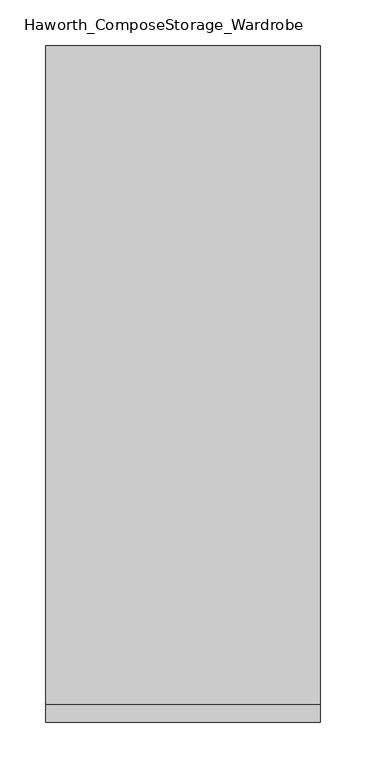
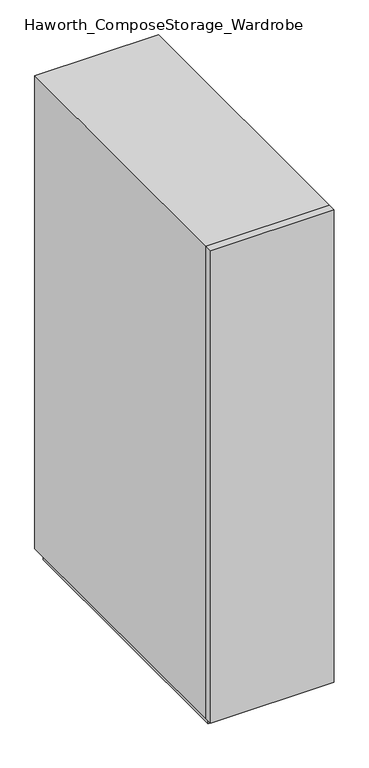
"""IFC4 building model written with IfcOpenShell, lengths in millimetres: furniture geometry, Haworth_ComposeStorage_Wardrobe."""

import ifcopenshell
import ifcopenshell.guid

model = None  # the IFC model being written
_history = None  # IfcOwnerHistory: only IFC2X3 demands one
_inside = {}  # id of a spatial element -> (the spatial element, [elements in it])
_under = {}  # id of a project, library or spatial element -> (it, [spatial elements below it])
_declared = {}  # id of a project -> (the project, [libraries it declares])
_typed = {}  # id of a type object -> (the type object, [elements of that type])
_made_of = {}  # id of a material, layer set ... -> (it, [elements and type objects made of it])


def new_model(schema):
    """Start an empty IFC model of exactly this schema.

    Asked for "IFC4X3", IfcOpenShell would pick the latest addendum, in which some entities
    have other attributes; the version numbers below select the first issue.
    IFC2X3 requires an IfcOwnerHistory on every rooted entity: one is made here for all.
    """
    global model, _history
    if schema == "IFC4X3":
        model = ifcopenshell.file(schema_version=(4, 3, 0, 0))
    else:
        model = ifcopenshell.file(schema=schema)
    _inside.clear()
    _under.clear()
    _declared.clear()
    _typed.clear()
    _made_of.clear()
    _history = None
    if model.schema == "IFC2X3":
        org = make("IfcOrganization", Name="unknown")
        user = make(
            "IfcPersonAndOrganization",
            ThePerson=make("IfcPerson", FamilyName="unknown"),
            TheOrganization=org,
        )
        app = make(
            "IfcApplication",
            ApplicationDeveloper=org,
            Version="unknown",
            ApplicationFullName="unknown",
            ApplicationIdentifier="unknown",
        )
        _history = make(
            "IfcOwnerHistory",
            OwningUser=user,
            OwningApplication=app,
            ChangeAction="ADDED",
            CreationDate=0,
        )
    return model


def make(cls, **values):
    """One entity of the class cls with the attributes given. An attribute that is None is left unset."""
    return model.create_entity(
        cls, **{name: value for name, value in values.items() if value is not None}
    )


def rooted(cls, **values):
    """An entity with a GlobalId (a new one), such as an element, a storey or a relation."""
    return make(cls, GlobalId=ifcopenshell.guid.new(), OwnerHistory=_history, **values)


def si_unit(unit_type, name, prefix=None):
    """IfcSIUnit, for example si_unit("LENGTHUNIT", "METRE", prefix="MILLI")."""
    return make("IfcSIUnit", UnitType=unit_type, Prefix=prefix, Name=name)


def assignment(units):
    """IfcUnitAssignment: the units of a project."""
    return None if units is None else make("IfcUnitAssignment", Units=units)


def point(xyz):
    """IfcCartesianPoint."""
    return None if xyz is None else make("IfcCartesianPoint", Coordinates=xyz)


def direction(xyz):
    """IfcDirection."""
    return None if xyz is None else make("IfcDirection", DirectionRatios=xyz)


def frame(location, z_axis=None, x_axis=None):
    """IfcAxis2Placement3D, a coordinate frame: its origin and axes. An axis left out is left unset."""
    return make(
        "IfcAxis2Placement3D",
        Location=point(location),
        Axis=direction(z_axis),
        RefDirection=direction(x_axis),
    )


def origin():
    """The frame at (0, 0, 0) with its axes left unset."""
    return frame((0.0, 0.0, 0.0))


def origin_with_axes():
    """The frame at (0, 0, 0) with the z axis (0, 0, 1) and the x axis (1, 0, 0) written out."""
    return frame((0.0, 0.0, 0.0), z_axis=(0.0, 0.0, 1.0), x_axis=(1.0, 0.0, 0.0))


def place(relative_to, where):
    """IfcLocalPlacement: puts the frame where relative to a parent placement (None: the world)."""
    return make(
        "IfcLocalPlacement", PlacementRelTo=relative_to, RelativePlacement=where
    )


def context(
    kind, dimensions, precision=None, world=None, true_north=None, identifier=None
):
    """IfcGeometricRepresentationContext, for example the 3D "Model" context."""
    return make(
        "IfcGeometricRepresentationContext",
        ContextIdentifier=identifier,
        ContextType=kind,
        CoordinateSpaceDimension=dimensions,
        Precision=precision,
        WorldCoordinateSystem=world,
        TrueNorth=true_north,
    )


def project(units=None, contexts=None):
    """IfcProject with its units and contexts."""
    return rooted(
        "IfcProject",
        Name="project",
        RepresentationContexts=contexts,
        UnitsInContext=assignment(units),
    )


def spatial(cls, under=None, at=None, **own):
    """A site, building, storey or space (cls), placed at a placement, below another one or the project."""
    s = rooted(cls, ObjectPlacement=at, **own)
    if under is not None:
        _under.setdefault(under.id(), (under, []))[1].append(s)
    return s


def polyline(points):
    """IfcPolyline through the points."""
    return make("IfcPolyline", Points=[point(p) for p in points])


def outline(outer, holes=None, kind="AREA"):
    """IfcArbitraryClosedProfileDef: a profile drawn as a closed curve; with holes, ...WithVoids."""
    if holes is None:
        return make("IfcArbitraryClosedProfileDef", ProfileType=kind, OuterCurve=outer)
    return make(
        "IfcArbitraryProfileDefWithVoids",
        ProfileType=kind,
        OuterCurve=outer,
        InnerCurves=holes,
    )


def extrude(swept, where, along, depth):
    """IfcExtrudedAreaSolid: the profile swept, set in the frame where, extruded along a direction by depth."""
    return make(
        "IfcExtrudedAreaSolid",
        SweptArea=swept,
        Position=where,
        ExtrudedDirection=direction(along),
        Depth=depth,
    )


def faces_of(points, faces, orient=None, outer=None):
    """IfcFace entities. A face is a list of loops; a loop is a list of indices into points, from 0.

    orient and outer hold one flag for each loop. By default every Orientation is true, the
    first loop of a face is its IfcFaceOuterBound and the others are IfcFaceBound.
    """
    made = []
    for i, loops in enumerate(faces):
        bounds = []
        for j, loop in enumerate(loops):
            is_outer = j == 0 if outer is None else outer[i][j]
            bounds.append(
                make(
                    "IfcFaceOuterBound" if is_outer else "IfcFaceBound",
                    Bound=make("IfcPolyLoop", Polygon=[points[k] for k in loop]),
                    Orientation=True if orient is None else orient[i][j],
                )
            )
        made.append(make("IfcFace", Bounds=bounds))
    return made


def faceted_brep(points, faces, orient=None, outer=None, voids=None):
    """IfcFacetedBrep: a solid bounded by flat faces; with voids (closed shells), ...WithVoids."""
    shared = [point(p) for p in points]
    hull = make("IfcClosedShell", CfsFaces=faces_of(shared, faces, orient, outer))
    if voids is None:
        return make("IfcFacetedBrep", Outer=hull)
    return make(
        "IfcFacetedBrepWithVoids",
        Outer=hull,
        Voids=[
            make(cls, CfsFaces=faces_of(shared, fs, o, b)) for cls, fs, o, b in voids
        ],
    )


def shape(context_of_items, identifier, shape_type, items):
    """IfcShapeRepresentation: the items that make up one representation, for example the "Body"."""
    return make(
        "IfcShapeRepresentation",
        ContextOfItems=context_of_items,
        RepresentationIdentifier=identifier,
        RepresentationType=shape_type,
        Items=items,
    )


def source(mapping_origin, context_of_items, identifier, shape_type, items):
    """IfcRepresentationMap: a shape defined once, which mapped items show again and again."""
    return make(
        "IfcRepresentationMap",
        MappingOrigin=mapping_origin,
        MappedRepresentation=shape(context_of_items, identifier, shape_type, items),
    )


def transform(
    local_origin,
    x_axis=None,
    y_axis=None,
    z_axis=None,
    scale=None,
    scale2=None,
    scale3=None,
    uniform=True,
):
    """IfcCartesianTransformationOperator3D, or its non-uniform kind. x_axis, y_axis, z_axis: its Axis1, 2, 3."""
    if uniform:
        return make(
            "IfcCartesianTransformationOperator3D",
            Axis1=direction(x_axis),
            Axis2=direction(y_axis),
            LocalOrigin=point(local_origin),
            Scale=scale,
            Axis3=direction(z_axis),
        )
    return make(
        "IfcCartesianTransformationOperator3DnonUniform",
        Axis1=direction(x_axis),
        Axis2=direction(y_axis),
        LocalOrigin=point(local_origin),
        Scale=scale,
        Axis3=direction(z_axis),
        Scale2=scale2,
        Scale3=scale3,
    )


def mapped(mapping_source, mapping_target):
    """IfcMappedItem: shows the shape of a source again, moved by a transform."""
    return make(
        "IfcMappedItem", MappingSource=mapping_source, MappingTarget=mapping_target
    )


def made_of(thing, what):
    """Note that an element or type object is made of a material, layer set ...; save() writes the relation."""
    if what is not None:
        _made_of.setdefault(what.id(), (what, []))[1].append(thing)
    return thing


def element(
    cls,
    number,
    at=None,
    inside=None,
    cuts=None,
    type_object=None,
    material=None,
    context=None,
    identifier="Body",
    shape_type=None,
    held_by="IfcProductDefinitionShape",
    body=None,
    shapes=None,
    **own,
):
    """One element of the class cls, such as IfcWall. Its Tag is "e" and its number.

    at: its placement. inside: the storey or other place that contains it. cuts: it is an
    opening in that element (IfcRelVoidsElement). A single representation is given by context,
    identifier, shape_type and body (its items); several are given by shapes. held_by: the class
    of the entity that holds the representations. save() writes the other relations.
    """
    e = rooted(cls, Tag="e%d" % number, ObjectPlacement=at, **own)
    if body is not None:
        shapes = [shape(context, identifier, shape_type, body)]
    if shapes is not None:
        e.Representation = make(held_by, Representations=shapes)
    if inside is not None:
        _inside.setdefault(inside.id(), (inside, []))[1].append(e)
    if cuts is not None:
        rooted(
            "IfcRelVoidsElement", RelatingBuildingElement=cuts, RelatedOpeningElement=e
        )
    if type_object is not None:
        _typed.setdefault(type_object.id(), (type_object, []))[1].append(e)
    return made_of(e, material)


def aggregate(whole, parts):
    """IfcRelAggregates: a whole, such as a stair, and the parts it consists of."""
    return rooted("IfcRelAggregates", RelatingObject=whole, RelatedObjects=parts)


def save(model, path):
    """Write the relations noted so far, then the file.

    IfcRelAggregates (storeys below a building ...), IfcRelContainedInSpatialStructure (elements
    in a storey), IfcRelDefinesByType, IfcRelAssociatesMaterial and IfcRelDeclares: one each for
    every whole, place, type object, material and project.
    """
    for whole, parts in _under.values():
        aggregate(whole, parts)
    for where, things in _inside.values():
        rooted(
            "IfcRelContainedInSpatialStructure",
            RelatedElements=things,
            RelatingStructure=where,
        )
    for kind, things in _typed.values():
        rooted("IfcRelDefinesByType", RelatedObjects=things, RelatingType=kind)
    for what, things in _made_of.values():
        rooted("IfcRelAssociatesMaterial", RelatedObjects=things, RelatingMaterial=what)
    for by, libraries in _declared.values():
        rooted("IfcRelDeclares", RelatingContext=by, RelatedDefinitions=libraries)
    model.write(path)


def haworth_composestorage_wardrobe_e1d76ec1(model_context):
    return source(origin(), model_context, "Body", "SolidModel", [
        extrude(outline(polyline([(150.8263906, -381.0), (-150.7986094, -381.0), (-150.7986094, -361.95), (150.8263906, -361.95), (150.8263906, -381.0)])), frame((0.0, 0.0, 25.4), z_axis=(0.0, 0.0, 1.0), x_axis=(1.0, 0.0, 0.0)), (0.0, 0.0, 1.0), 1219.2),
        faceted_brep([(-150.7986094, -361.95, 25.4), (150.8263906, -361.95, 25.4), (150.8263906, -361.95, 1244.6), (-150.7986094, -361.95, 1244.6), (-131.7486094, -361.95, 44.45), (-131.7486094, -361.95, 1225.55), (131.7486094, -361.95, 1225.55), (131.7486094, -361.95, 44.45), (-150.7986094, 361.95, 25.4), (-150.7986094, 361.95, 1244.6), (150.8263906, 361.95, 1244.6), (150.8263906, 361.95, 25.4), (-131.7486094, 342.9, 44.45), (-131.7486094, 342.9, 1225.55), (131.7486094, 342.9, 1225.55), (131.7486094, 342.9, 44.45)], [[[0, 1, 2, 3], [4, 5, 6, 7]], [[8, 9, 10, 11]], [[1, 0, 8, 11]], [[2, 1, 11, 10]], [[3, 2, 10, 9]], [[0, 3, 9, 8]], [[5, 4, 12, 13]], [[6, 5, 13, 14]], [[7, 6, 14, 15]], [[4, 7, 15, 12]], [[13, 12, 15, 14]]]),
        extrude(outline(polyline([(138.1263906, -349.25), (-138.0986094, -349.25), (-138.0986094, 349.25), (138.1263906, 349.25), (138.1263906, -349.25)])), origin_with_axes(), (0.0, 0.0, 1.0), 25.4),
    ])


if __name__ == "__main__":
    model = new_model("IFC4")
    model_context = context("Model", 3, world=origin())
    ifc_project = project(units=[si_unit("LENGTHUNIT", "METRE", prefix="MILLI")], contexts=[model_context])
    site = spatial("IfcSite", under=ifc_project)
    building = spatial("IfcBuilding", under=site)
    placement = place(None, origin())
    haworth_composestorage_wardrobe_shape = haworth_composestorage_wardrobe_e1d76ec1(model_context)
    element("IfcFurniture", 1, ObjectType="Haworth_ComposeStorage_Wardrobe", at=placement, inside=building, context=model_context, shape_type="MappedRepresentation", body=[
        mapped(haworth_composestorage_wardrobe_shape, transform((0.0, 0.0, 0.0), x_axis=(1.0, 0.0, 0.0), y_axis=(0.0, 1.0, 0.0), z_axis=(0.0, 0.0, 1.0))),
    ])
    save(model, "model.ifc")
